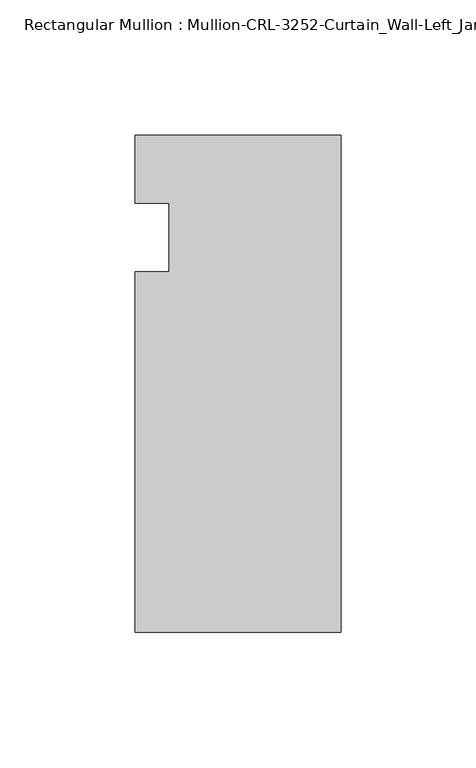
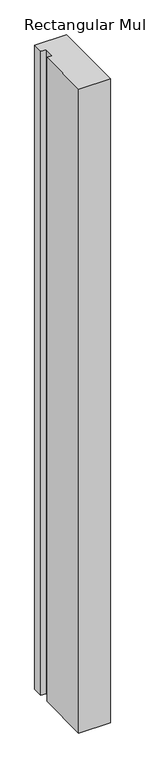
"""IFC4 building model written with IfcOpenShell, lengths in millimetres: member geometry, Rectangular Mullion : Mullion-CRL-3252-Curtain_Wall-Left_Jamb."""

from ifc_helpers import new_model, si_unit, frame, origin, place, context, project, spatial, polyline, outline, extrude, source, transform, mapped, element, save


def rectangular_mullion_mullion_crl_3252_curtain_wall_left_jamb_3b8cfdab(model_context):
    return source(origin(), model_context, "Body", "SweptSolid", [
        extrude(outline(polyline([(0.0, 37.8626457), (0.0, -146.0054758), (-76.2018563, -146.0054758), (-76.2018563, -12.7), (-63.4961173, -12.7), (-63.4961173, 12.7), (-76.2018563, 12.7), (-76.2018563, 37.8626457), (0.0, 37.8626457)])), frame((0.0, 0.0, -1642.0703125), z_axis=(0.0, 0.0, 1.0), x_axis=(1.0, 0.0, 0.0)), (0.0, 0.0, 1.0), 1642.0703125),
    ])


if __name__ == "__main__":
    model = new_model("IFC4")
    model_context = context("Model", 3, world=origin())
    ifc_project = project(units=[si_unit("LENGTHUNIT", "METRE", prefix="MILLI")], contexts=[model_context])
    site = spatial("IfcSite", under=ifc_project)
    building = spatial("IfcBuilding", under=site)
    placement = place(None, origin())
    rectangular_mullion_mullion_crl_3252_curtain_wall_left_jamb_shape = rectangular_mullion_mullion_crl_3252_curtain_wall_left_jamb_3b8cfdab(model_context)
    element("IfcMember", 1, ObjectType="Rectangular Mullion : Mullion-CRL-3252-Curtain_Wall-Left_Jamb", at=placement, inside=building, context=model_context, shape_type="MappedRepresentation", body=[
        mapped(rectangular_mullion_mullion_crl_3252_curtain_wall_left_jamb_shape, transform((0.0, 0.0, 0.0), x_axis=(1.0, 0.0, 0.0), y_axis=(0.0, 1.0, 0.0), z_axis=(0.0, 0.0, 1.0))),
    ])
    save(model, "model.ifc")
